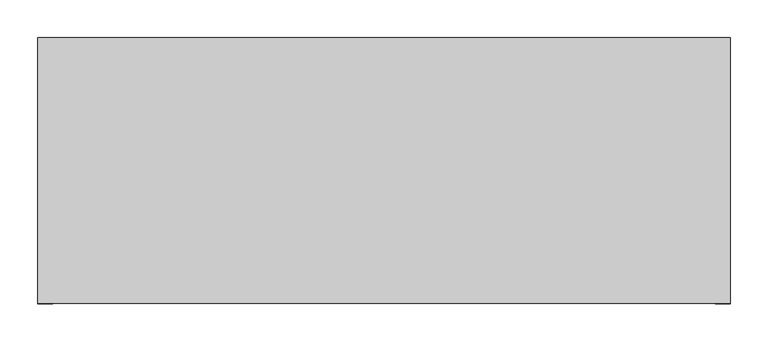
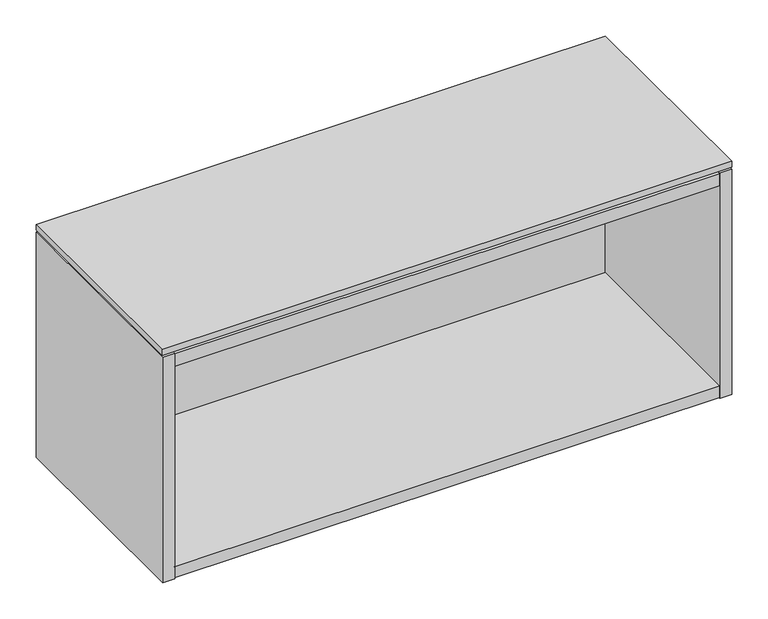
"""IFC4 building model written with IfcOpenShell, lengths in millimetres: furniture geometry."""

from ifc_helpers import new_model, si_unit, frame, origin, place, context, project, spatial, polyline, outline, extrude, faceted_brep, source, transform, mapped, element, save


def furniture_3b9ffc99(model_context):
    return source(origin(), model_context, "Body", "SolidModel", [
        extrude(outline(polyline([(454.2234375, -191.0115724), (-457.2, -191.0115724), (-457.2, 158.8226276), (454.2234375, 158.8226276), (454.2234375, -191.0115724)])), frame((0.0, 0.0, 765.302), z_axis=(0.0, 0.0, 1.0), x_axis=(1.0, 0.0, 0.0)), (0.0, 0.0, 1.0), 9.779),
        extrude(outline(polyline([(-437.896, 145.5282676), (-437.896, 158.8226276), (434.9194375, 158.8226276), (434.9194375, 145.5282676), (-437.896, 145.5282676)])), frame((0.0, 0.0, 664.11475), z_axis=(0.0, 0.0, 1.0), x_axis=(1.0, 0.0, 0.0)), (0.0, 0.0, 1.0), 76.2),
        faceted_brep([(434.9194375, -191.0115724, 401.066), (-437.896, -191.0115724, 401.066), (-437.896, -191.0115724, 381.762), (434.9194375, -191.0115724, 381.762), (-437.896, 145.5282676, 740.31475), (434.9194375, 145.5282676, 740.31475), (434.9194375, 145.5282676, 381.0), (-437.896, 145.5282676, 381.0), (434.9194375, 126.2242676, 401.066), (-437.896, 126.2242676, 401.066), (-437.896, 126.2242676, 381.762), (434.9194375, 126.2242676, 381.762), (-437.896, 158.8226276, 762.0), (-457.2, 158.8226276, 762.0), (-457.2, -191.7735724, 762.0), (-437.896, -191.7735724, 762.0), (434.9194375, -191.7735724, 762.0), (454.2234375, -191.7735724, 762.0), (454.2234375, 158.8226276, 762.0), (434.9194375, 158.8226276, 762.0), (-437.896, -191.7735724, 381.0), (-457.2, -191.7735724, 381.0), (-457.2, 158.8226276, 381.0), (-437.896, 158.8226276, 381.0), (434.9194375, 158.8226276, 381.0), (454.2234375, 158.8226276, 381.0), (454.2234375, -191.7735724, 381.0), (434.9194375, -191.7735724, 381.0), (434.9194375, 126.2242676, 381.0), (-437.896, 126.2242676, 381.0), (-437.896, 158.8226276, 761.238), (434.9194375, 158.8226276, 761.238), (434.9194375, 158.8226276, 740.31475), (-437.896, 158.8226276, 740.31475), (-437.896, 126.2242676, 740.31475), (-437.896, -191.0115724, 740.31475), (-437.896, -191.0115724, 761.238), (434.9194375, -191.0115724, 761.238), (434.9194375, -191.0115724, 740.31475), (434.9194375, 126.2242676, 740.31475)], [[[0, 1, 2, 3]], [[4, 5, 6, 7]], [[1, 0, 8, 9]], [[3, 2, 10, 11]], [[12, 13, 14, 15]], [[16, 17, 18, 19]], [[20, 21, 22, 23, 7, 6, 24, 25, 26, 27, 28, 29]], [[13, 12, 30, 31, 19, 18, 25, 24, 32, 33, 23, 22]], [[14, 13, 22, 21]], [[15, 14, 21, 20]], [[4, 7, 23, 33]], [[12, 15, 20, 29, 10, 2, 1, 9, 34, 35, 36, 30]], [[6, 5, 32, 24]], [[16, 19, 31, 37, 38, 39, 8, 0, 3, 11, 28, 27]], [[17, 16, 27, 26]], [[18, 17, 26, 25]], [[37, 36, 35, 38]], [[36, 37, 31, 30]], [[33, 32, 5, 4]], [[38, 35, 34, 39]], [[9, 8, 39, 34]], [[29, 28, 11, 10]]]),
    ])


if __name__ == "__main__":
    model = new_model("IFC4")
    model_context = context("Model", 3, world=origin())
    ifc_project = project(units=[si_unit("LENGTHUNIT", "METRE", prefix="MILLI")], contexts=[model_context])
    site = spatial("IfcSite", under=ifc_project)
    building = spatial("IfcBuilding", under=site)
    placement = place(None, origin())
    furniture_shape = furniture_3b9ffc99(model_context)
    element("IfcFurniture", 1, at=placement, inside=building, context=model_context, shape_type="MappedRepresentation", body=[
        mapped(furniture_shape, transform((0.0, 0.0, 0.0), x_axis=(1.0, 0.0, 0.0), y_axis=(0.0, 1.0, 0.0), z_axis=(0.0, 0.0, 1.0))),
    ])
    save(model, "model.ifc")
